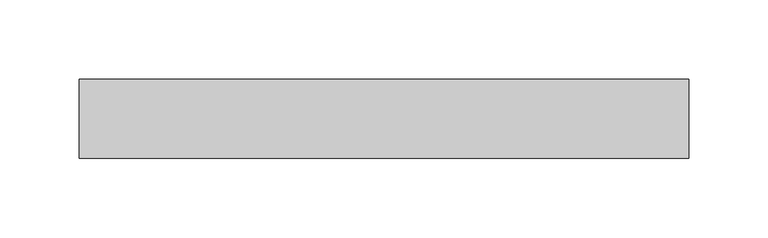
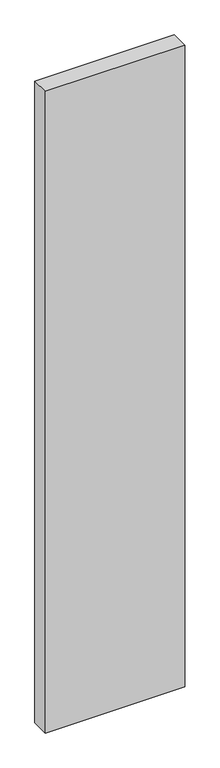
"""IFC4 building model written with IfcOpenShell, lengths in millimetres: plate geometry."""

from ifc_helpers import new_model, si_unit, origin, origin_with_axes, place, context, project, spatial, polyline, outline, extrude, source, transform, mapped, element, save


def plate_828eb35e(model_context):
    return source(origin(), model_context, "Body", "SweptSolid", [
        extrude(outline(polyline([(192.7252644, -25.0), (-192.7252644, -25.0), (-192.7252644, 25.0), (192.7252644, 25.0), (192.7252644, -25.0)])), origin_with_axes(), (0.0, 0.0, 1.0), 1875.0),
    ])


if __name__ == "__main__":
    model = new_model("IFC4")
    model_context = context("Model", 3, world=origin())
    ifc_project = project(units=[si_unit("LENGTHUNIT", "METRE", prefix="MILLI")], contexts=[model_context])
    site = spatial("IfcSite", under=ifc_project)
    building = spatial("IfcBuilding", under=site)
    placement = place(None, origin())
    plate_shape = plate_828eb35e(model_context)
    element("IfcPlate", 1, at=placement, inside=building, context=model_context, shape_type="MappedRepresentation", body=[
        mapped(plate_shape, transform((0.0, 0.0, 0.0), x_axis=(1.0, 0.0, 0.0), y_axis=(0.0, 1.0, 0.0), z_axis=(0.0, 0.0, 1.0))),
    ])
    save(model, "model.ifc")
